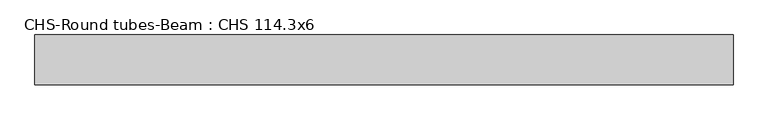
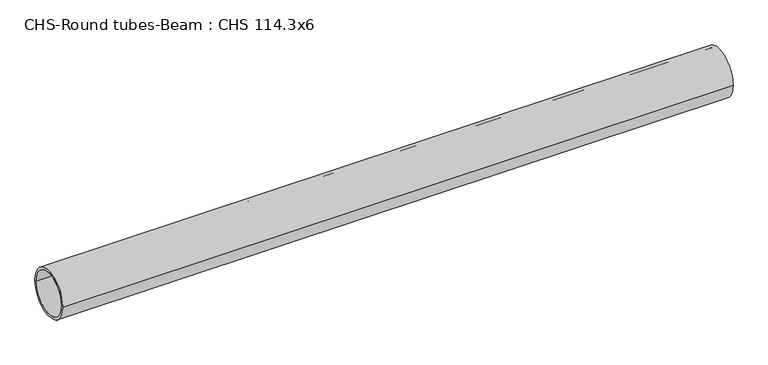
"""IFC4 building model written with IfcOpenShell, lengths in millimetres: beam geometry, CHS-Round tubes-Beam : CHS 114.3x6."""

from ifc_helpers import new_model, si_unit, point, frame, origin, origin_2d, place, context, project, spatial, circle_curve, trimmed, segment, composite_curve, outline, extrude, source, transform, mapped, element, save


def chs_round_tubes_beam_chs_114_3x6_f9839af9(model_context):
    return source(origin(), model_context, "Body", "SweptSolid", [
        extrude(outline(composite_curve([segment(trimmed(circle_curve(origin_2d(), 57.15), [point((57.15, 0.0))], [point((-57.15, 0.0))], False, "CARTESIAN"), True, "CONTINUOUS"), segment(trimmed(circle_curve(origin_2d(), 57.15), [point((-57.15, 0.0))], [point((57.15, 0.0))], False, "CARTESIAN"), True, "CONTINUOUS")], self_intersect=False), holes=[composite_curve([segment(trimmed(circle_curve(origin_2d(), 51.15), [point((51.15, 0.0))], [point((-51.15, 0.0))], True, "CARTESIAN"), True, "CONTINUOUS"), segment(trimmed(circle_curve(origin_2d(), 51.15), [point((-51.15, 0.0))], [point((51.15, 0.0))], True, "CARTESIAN"), True, "CONTINUOUS")], self_intersect=False)]), frame((-790.0424181, 0.0, 0.0), z_axis=(1.0, 0.0, 0.0), x_axis=(0.0, 1.0, 0.0)), (0.0, 0.0, 1.0), 1594.3172182),
    ])


if __name__ == "__main__":
    model = new_model("IFC4")
    model_context = context("Model", 3, world=origin())
    ifc_project = project(units=[si_unit("LENGTHUNIT", "METRE", prefix="MILLI")], contexts=[model_context])
    site = spatial("IfcSite", under=ifc_project)
    building = spatial("IfcBuilding", under=site)
    placement = place(None, origin())
    chs_round_tubes_beam_chs_114_3x6_shape = chs_round_tubes_beam_chs_114_3x6_f9839af9(model_context)
    element("IfcBeam", 1, ObjectType="CHS-Round tubes-Beam : CHS 114.3x6", at=placement, inside=building, context=model_context, shape_type="MappedRepresentation", body=[
        mapped(chs_round_tubes_beam_chs_114_3x6_shape, transform((0.0, 0.0, 0.0), x_axis=(1.0, 0.0, 0.0), y_axis=(0.0, 1.0, 0.0), z_axis=(0.0, 0.0, 1.0))),
    ])
    save(model, "model.ifc")
